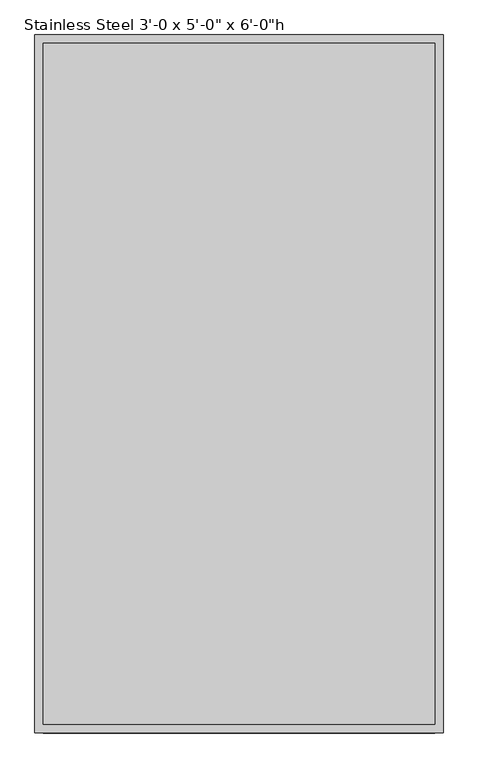
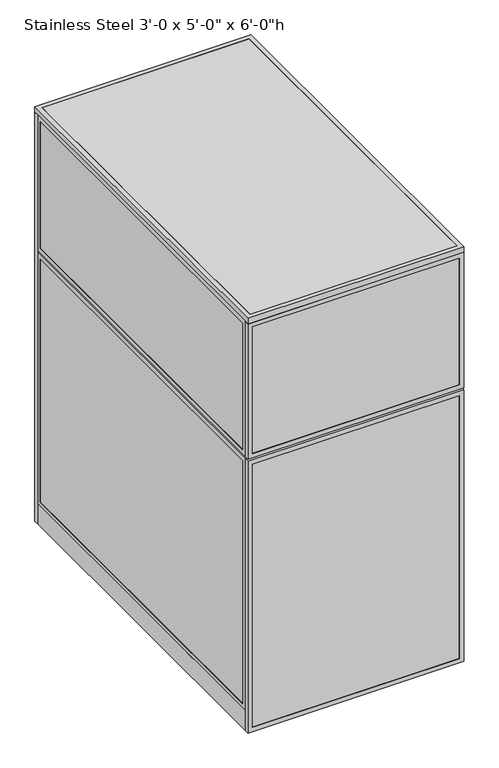
"""IFC4 building model written with IfcOpenShell, lengths in millimetres: proxy geometry."""

from ifc_helpers import new_model, si_unit, frame, origin, origin_with_axes, place, context, project, spatial, polyline, outline, extrude, source, transform, mapped, element, save


def proxy_059a47f3(model_context):
    return source(origin(), model_context, "Body", "SweptSolid", [
        extrude(outline(polyline([(0.0, 0.0), (0.0, 914.4), (1828.8, 914.4), (1828.8, 0.0), (0.0, 0.0)]), holes=[polyline([(819.15, 19.05), (819.15, 895.35), (19.05, 895.35), (19.05, 19.05), (819.15, 19.05)]), polyline([(857.25, 895.35), (857.25, 19.05), (1809.75, 19.05), (1809.75, 895.35), (857.25, 895.35)])]), frame((0.0, 1524.0, 0.0), z_axis=(0.0, 1.0, 0.0), x_axis=(0.0, 0.0, 1.0)), (0.0, 0.0, 1.0), 19.05),
        extrude(outline(polyline([(60.3189838, 1541.4625), (854.0810162, 1541.4625), (854.0810162, 1525.5875), (60.3189838, 1525.5875), (60.3189838, 1541.4625)])), frame((0.0, 0.0, 60.325), z_axis=(0.0, 0.0, 1.0), x_axis=(1.0, 0.0, 0.0)), (0.0, 0.0, 1.0), 717.55),
        extrude(outline(polyline([(879.475, 41.2689838), (879.475, 873.1310162), (1787.525, 873.1310162), (1787.525, 41.2689838), (879.475, 41.2689838)]), holes=[polyline([(1768.475, 854.0810162), (898.525, 854.0810162), (898.525, 60.3189838), (1768.475, 60.3189838), (1768.475, 854.0810162)])]), frame((0.0, 1524.0, 0.0), z_axis=(0.0, 1.0, 0.0), x_axis=(0.0, 0.0, 1.0)), (0.0, 0.0, 1.0), 19.05),
        extrude(outline(polyline([(41.275, 41.2689838), (41.275, 873.1310162), (796.925, 873.1310162), (796.925, 41.2689838), (41.275, 41.2689838)]), holes=[polyline([(777.875, 854.0810162), (60.325, 854.0810162), (60.325, 60.3189838), (777.875, 60.3189838), (777.875, 854.0810162)])]), frame((0.0, 1524.0, 0.0), z_axis=(0.0, 1.0, 0.0), x_axis=(0.0, 0.0, 1.0)), (0.0, 0.0, 1.0), 19.05),
        extrude(outline(polyline([(60.3189838, 1541.4625), (854.0810162, 1541.4625), (854.0810162, 1525.5875), (60.3189838, 1525.5875), (60.3189838, 1541.4625)])), frame((0.0, 0.0, 898.525), z_axis=(0.0, 0.0, 1.0), x_axis=(1.0, 0.0, 0.0)), (0.0, 0.0, 1.0), 869.95),
        extrude(outline(polyline([(1214.4375, 914.4), (1214.4375, 0.0), (0.0, 0.0), (0.0, 914.4), (1214.4375, 914.4)]), holes=[polyline([(19.05, 895.35), (19.05, 19.05), (1195.3875, 19.05), (1195.3875, 895.35), (19.05, 895.35)])]), frame((0.0, -19.05, 0.0), z_axis=(0.0, 1.0, 0.0), x_axis=(0.0, 0.0, 1.0)), (0.0, 0.0, 1.0), 19.05),
        extrude(outline(polyline([(1223.9625, 914.4), (1828.8, 914.4), (1828.8, 0.0), (1223.9625, 0.0), (1223.9625, 914.4)]), holes=[polyline([(1809.75, 895.35), (1243.0125, 895.35), (1243.0125, 19.05), (1809.75, 19.05), (1809.75, 895.35)])]), frame((0.0, -19.05, 0.0), z_axis=(0.0, 1.0, 0.0), x_axis=(0.0, 0.0, 1.0)), (0.0, 0.0, 1.0), 19.05),
        extrude(outline(polyline([(895.35, -17.4625), (19.05, -17.4625), (19.05, -1.5875), (895.35, -1.5875), (895.35, -17.4625)])), frame((0.0, 0.0, 19.05), z_axis=(0.0, 0.0, 1.0), x_axis=(1.0, 0.0, 0.0)), (0.0, 0.0, 1.0), 1176.3375),
        extrude(outline(polyline([(895.35, -17.4625), (19.05, -17.4625), (19.05, -1.5875), (895.35, -1.5875), (895.35, -17.4625)])), frame((0.0, 0.0, 1243.0125), z_axis=(0.0, 0.0, 1.0), x_axis=(1.0, 0.0, 0.0)), (0.0, 0.0, 1.0), 566.7375),
        extrude(outline(polyline([(895.35, 0.0), (895.35, 1524.0), (914.4, 1524.0), (914.4, 0.0), (895.35, 0.0)])), origin_with_axes(), (0.0, 0.0, 1.0), 88.9),
        extrude(outline(polyline([(1524.0, 88.9), (0.0, 88.9), (0.0, 1214.4375), (1524.0, 1214.4375), (1524.0, 88.9)]), holes=[polyline([(1504.95, 1195.3875), (19.05, 1195.3875), (19.05, 107.95), (1504.95, 107.95), (1504.95, 1195.3875)])]), frame((895.35, 0.0, 0.0), z_axis=(1.0, 0.0, 0.0), x_axis=(0.0, 1.0, 0.0)), (0.0, 0.0, 1.0), 19.05),
        extrude(outline(polyline([(0.0, 1223.9625), (0.0, 1828.8), (1524.0, 1828.8), (1524.0, 1223.9625), (0.0, 1223.9625)]), holes=[polyline([(19.05, 1809.75), (19.05, 1243.0125), (1504.95, 1243.0125), (1504.95, 1809.75), (19.05, 1809.75)])]), frame((895.35, 0.0, 0.0), z_axis=(1.0, 0.0, 0.0), x_axis=(0.0, 1.0, 0.0)), (0.0, 0.0, 1.0), 19.05),
        extrude(outline(polyline([(896.9375, 19.05), (896.9375, 1504.95), (912.8125, 1504.95), (912.8125, 19.05), (896.9375, 19.05)])), frame((0.0, 0.0, 107.95), z_axis=(0.0, 0.0, 1.0), x_axis=(1.0, 0.0, 0.0)), (0.0, 0.0, 1.0), 1087.4375),
        extrude(outline(polyline([(896.9375, 19.05), (896.9375, 1504.95), (912.8125, 1504.95), (912.8125, 19.05), (896.9375, 19.05)])), frame((0.0, 0.0, 1243.0125), z_axis=(0.0, 0.0, 1.0), x_axis=(1.0, 0.0, 0.0)), (0.0, 0.0, 1.0), 566.7375),
        extrude(outline(polyline([(0.0, 0.0), (0.0, 1524.0), (19.05, 1524.0), (19.05, 0.0), (0.0, 0.0)])), origin_with_axes(), (0.0, 0.0, 1.0), 88.9),
        extrude(outline(polyline([(1524.0, 88.9), (0.0, 88.9), (0.0, 1214.4375), (1524.0, 1214.4375), (1524.0, 88.9)]), holes=[polyline([(1504.95, 1195.3875), (19.05, 1195.3875), (19.05, 107.95), (1504.95, 107.95), (1504.95, 1195.3875)])]), frame((0.0, 0.0, 0.0), z_axis=(1.0, 0.0, 0.0), x_axis=(0.0, 1.0, 0.0)), (0.0, 0.0, 1.0), 19.05),
        extrude(outline(polyline([(0.0, 1223.9625), (0.0, 1828.8), (1524.0, 1828.8), (1524.0, 1223.9625), (0.0, 1223.9625)]), holes=[polyline([(19.05, 1809.75), (19.05, 1243.0125), (1504.95, 1243.0125), (1504.95, 1809.75), (19.05, 1809.75)])]), frame((0.0, 0.0, 0.0), z_axis=(1.0, 0.0, 0.0), x_axis=(0.0, 1.0, 0.0)), (0.0, 0.0, 1.0), 19.05),
        extrude(outline(polyline([(1.5875, 19.05), (1.5875, 1504.95), (17.4625, 1504.95), (17.4625, 19.05), (1.5875, 19.05)])), frame((0.0, 0.0, 107.95), z_axis=(0.0, 0.0, 1.0), x_axis=(1.0, 0.0, 0.0)), (0.0, 0.0, 1.0), 1087.4375),
        extrude(outline(polyline([(1.5875, 19.05), (1.5875, 1504.95), (17.4625, 1504.95), (17.4625, 19.05), (1.5875, 19.05)])), frame((0.0, 0.0, 1243.0125), z_axis=(0.0, 0.0, 1.0), x_axis=(1.0, 0.0, 0.0)), (0.0, 0.0, 1.0), 566.7375),
        extrude(outline(polyline([(882.65, 622.3), (882.65, 609.6), (31.75, 609.6), (31.75, 622.3), (882.65, 622.3)])), origin_with_axes(), (0.0, 0.0, 1.0), 152.4),
        extrude(outline(polyline([(882.65, 622.3), (882.65, 12.7), (31.75, 12.7), (31.75, 622.3), (882.65, 622.3)])), frame((0.0, 0.0, 152.4), z_axis=(0.0, 0.0, 1.0), x_axis=(1.0, 0.0, 0.0)), (0.0, 0.0, 1.0), 12.7),
        extrude(outline(polyline([(914.4, 1543.05), (914.4, -19.05), (0.0, -19.05), (0.0, 1543.05), (914.4, 1543.05)]), holes=[polyline([(19.05, 0.0), (895.35, 0.0), (895.35, 1524.0), (19.05, 1524.0), (19.05, 0.0)])]), frame((0.0, 0.0, 1828.8), z_axis=(0.0, 0.0, 1.0), x_axis=(1.0, 0.0, 0.0)), (0.0, 0.0, 1.0), 25.4),
        extrude(outline(polyline([(19.05, 1524.0), (895.35, 1524.0), (895.35, 0.0), (19.05, 0.0), (19.05, 1524.0)])), frame((0.0, 0.0, 1828.8), z_axis=(0.0, 0.0, 1.0), x_axis=(1.0, 0.0, 0.0)), (0.0, 0.0, 1.0), 25.4),
    ])


if __name__ == "__main__":
    model = new_model("IFC4")
    model_context = context("Model", 3, world=origin())
    ifc_project = project(units=[si_unit("LENGTHUNIT", "METRE", prefix="MILLI")], contexts=[model_context])
    site = spatial("IfcSite", under=ifc_project)
    building = spatial("IfcBuilding", under=site)
    placement = place(None, origin())
    proxy_shape = proxy_059a47f3(model_context)
    element("IfcBuildingElementProxy", 1, Name="Stainless Steel 3'-0 x 5'-0\" x 6'-0\"h", ObjectType="Stainless Steel 3'-0 x 5'-0\" x 6'-0\"h", at=placement, inside=building, context=model_context, shape_type="MappedRepresentation", body=[
        mapped(proxy_shape, transform((0.0, 0.0, 0.0), x_axis=(1.0, 0.0, 0.0), y_axis=(0.0, 1.0, 0.0), z_axis=(0.0, 0.0, 1.0))),
    ])
    save(model, "model.ifc")
